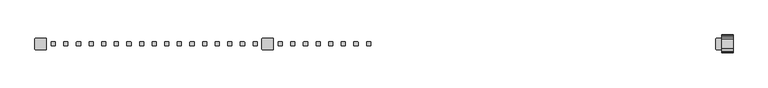
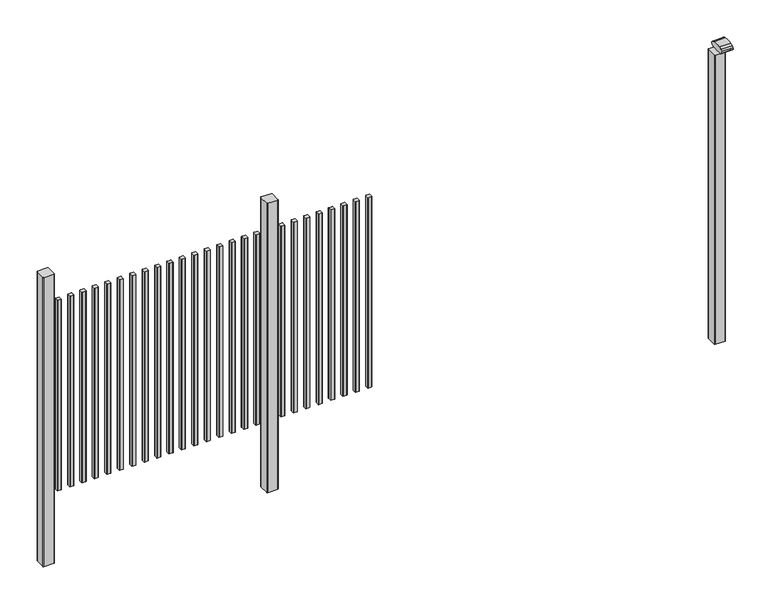
"""IFC4 building model written with IfcOpenShell, lengths in millimetres: railing geometry."""

from ifc_helpers import new_model, si_unit, point, frame, frame_2d, origin, place, context, project, spatial, polyline, circle_curve, trimmed, segment, composite_curve, outline, extrude, source, transform, mapped, element, save


def railing_d9dbef2f(model_context):
    return source(origin(), model_context, "Body", "SweptSolid", [
        extrude(outline(composite_curve([segment(trimmed(circle_curve(frame_2d((5108.2391355, 7228.4508236)), 1.4), [point((5106.8391355, 7228.4508236))], [point((5108.2391355, 7229.8508236))], False, "CARTESIAN"), True, "CONTINUOUS"), segment(polyline([(5108.2391355, 7229.8508236), (5123.4391385, 7229.8508236)]), True, "CONTINUOUS"), segment(trimmed(circle_curve(frame_2d((5123.4391385, 7228.4508236)), 1.4), [point((5123.4391385, 7229.8508236))], [point((5124.8391385, 7228.4508236))], False, "CARTESIAN"), True, "CONTINUOUS"), segment(polyline([(5124.8391385, 7228.4508236), (5124.8391385, 7213.2507846)]), True, "CONTINUOUS"), segment(trimmed(circle_curve(frame_2d((5123.4391385, 7213.2507846)), 1.4), [point((5124.8391385, 7213.2507846))], [point((5123.4391385, 7211.8507846))], False, "CARTESIAN"), True, "CONTINUOUS"), segment(polyline([(5123.4391385, 7211.8507846), (5108.2391355, 7211.8507846)]), True, "CONTINUOUS"), segment(trimmed(circle_curve(frame_2d((5108.2391355, 7213.2507846)), 1.4), [point((5108.2391355, 7211.8507846))], [point((5106.8391355, 7213.2507846))], False, "CARTESIAN"), True, "CONTINUOUS"), segment(polyline([(5106.8391355, 7213.2507846), (5106.8391355, 7228.4508236)]), True, "CONTINUOUS")], self_intersect=False)), frame((0.0, 0.0, 125.0), z_axis=(0.0, 0.0, 1.0), x_axis=(1.0, 0.0, 0.0)), (0.0, 0.0, 1.0), 900.0),
        extrude(outline(composite_curve([segment(trimmed(circle_curve(frame_2d((5052.6835799, 7228.4508236)), 1.4), [point((5051.2835799, 7228.4508236))], [point((5052.6835799, 7229.8508236))], False, "CARTESIAN"), True, "CONTINUOUS"), segment(polyline([(5052.6835799, 7229.8508236), (5067.8835829, 7229.8508236)]), True, "CONTINUOUS"), segment(trimmed(circle_curve(frame_2d((5067.8835829, 7228.4508236)), 1.4), [point((5067.8835829, 7229.8508236))], [point((5069.2835829, 7228.4508236))], False, "CARTESIAN"), True, "CONTINUOUS"), segment(polyline([(5069.2835829, 7228.4508236), (5069.2835829, 7213.2507846)]), True, "CONTINUOUS"), segment(trimmed(circle_curve(frame_2d((5067.8835829, 7213.2507846)), 1.4), [point((5069.2835829, 7213.2507846))], [point((5067.8835829, 7211.8507846))], False, "CARTESIAN"), True, "CONTINUOUS"), segment(polyline([(5067.8835829, 7211.8507846), (5052.6835799, 7211.8507846)]), True, "CONTINUOUS"), segment(trimmed(circle_curve(frame_2d((5052.6835799, 7213.2507846)), 1.4), [point((5052.6835799, 7211.8507846))], [point((5051.2835799, 7213.2507846))], False, "CARTESIAN"), True, "CONTINUOUS"), segment(polyline([(5051.2835799, 7213.2507846), (5051.2835799, 7228.4508236)]), True, "CONTINUOUS")], self_intersect=False)), frame((0.0, 0.0, 125.0), z_axis=(0.0, 0.0, 1.0), x_axis=(1.0, 0.0, 0.0)), (0.0, 0.0, 1.0), 900.0),
        extrude(outline(composite_curve([segment(trimmed(circle_curve(frame_2d((4997.1280244, 7228.4508236)), 1.4), [point((4995.7280244, 7228.4508236))], [point((4997.1280244, 7229.8508236))], False, "CARTESIAN"), True, "CONTINUOUS"), segment(polyline([(4997.1280244, 7229.8508236), (5012.3280274, 7229.8508236)]), True, "CONTINUOUS"), segment(trimmed(circle_curve(frame_2d((5012.3280274, 7228.4508236)), 1.4), [point((5012.3280274, 7229.8508236))], [point((5013.7280274, 7228.4508236))], False, "CARTESIAN"), True, "CONTINUOUS"), segment(polyline([(5013.7280274, 7228.4508236), (5013.7280274, 7213.2507846)]), True, "CONTINUOUS"), segment(trimmed(circle_curve(frame_2d((5012.3280274, 7213.2507846)), 1.4), [point((5013.7280274, 7213.2507846))], [point((5012.3280274, 7211.8507846))], False, "CARTESIAN"), True, "CONTINUOUS"), segment(polyline([(5012.3280274, 7211.8507846), (4997.1280244, 7211.8507846)]), True, "CONTINUOUS"), segment(trimmed(circle_curve(frame_2d((4997.1280244, 7213.2507846)), 1.4), [point((4997.1280244, 7211.8507846))], [point((4995.7280244, 7213.2507846))], False, "CARTESIAN"), True, "CONTINUOUS"), segment(polyline([(4995.7280244, 7213.2507846), (4995.7280244, 7228.4508236)]), True, "CONTINUOUS")], self_intersect=False)), frame((0.0, 0.0, 125.0), z_axis=(0.0, 0.0, 1.0), x_axis=(1.0, 0.0, 0.0)), (0.0, 0.0, 1.0), 900.0),
        extrude(outline(composite_curve([segment(trimmed(circle_curve(frame_2d((4941.5724688, 7228.4508236)), 1.4), [point((4940.1724688, 7228.4508236))], [point((4941.5724688, 7229.8508236))], False, "CARTESIAN"), True, "CONTINUOUS"), segment(polyline([(4941.5724688, 7229.8508236), (4956.7724718, 7229.8508236)]), True, "CONTINUOUS"), segment(trimmed(circle_curve(frame_2d((4956.7724718, 7228.4508236)), 1.4), [point((4956.7724718, 7229.8508236))], [point((4958.1724718, 7228.4508236))], False, "CARTESIAN"), True, "CONTINUOUS"), segment(polyline([(4958.1724718, 7228.4508236), (4958.1724718, 7213.2507846)]), True, "CONTINUOUS"), segment(trimmed(circle_curve(frame_2d((4956.7724718, 7213.2507846)), 1.4), [point((4958.1724718, 7213.2507846))], [point((4956.7724718, 7211.8507846))], False, "CARTESIAN"), True, "CONTINUOUS"), segment(polyline([(4956.7724718, 7211.8507846), (4941.5724688, 7211.8507846)]), True, "CONTINUOUS"), segment(trimmed(circle_curve(frame_2d((4941.5724688, 7213.2507846)), 1.4), [point((4941.5724688, 7211.8507846))], [point((4940.1724688, 7213.2507846))], False, "CARTESIAN"), True, "CONTINUOUS"), segment(polyline([(4940.1724688, 7213.2507846), (4940.1724688, 7228.4508236)]), True, "CONTINUOUS")], self_intersect=False)), frame((0.0, 0.0, 125.0), z_axis=(0.0, 0.0, 1.0), x_axis=(1.0, 0.0, 0.0)), (0.0, 0.0, 1.0), 900.0),
        extrude(outline(composite_curve([segment(trimmed(circle_curve(frame_2d((4886.0169133, 7228.4508236)), 1.4), [point((4884.6169133, 7228.4508236))], [point((4886.0169133, 7229.8508236))], False, "CARTESIAN"), True, "CONTINUOUS"), segment(polyline([(4886.0169133, 7229.8508236), (4901.2169163, 7229.8508236)]), True, "CONTINUOUS"), segment(trimmed(circle_curve(frame_2d((4901.2169163, 7228.4508236)), 1.4), [point((4901.2169163, 7229.8508236))], [point((4902.6169163, 7228.4508236))], False, "CARTESIAN"), True, "CONTINUOUS"), segment(polyline([(4902.6169163, 7228.4508236), (4902.6169163, 7213.2507846)]), True, "CONTINUOUS"), segment(trimmed(circle_curve(frame_2d((4901.2169163, 7213.2507846)), 1.4), [point((4902.6169163, 7213.2507846))], [point((4901.2169163, 7211.8507846))], False, "CARTESIAN"), True, "CONTINUOUS"), segment(polyline([(4901.2169163, 7211.8507846), (4886.0169133, 7211.8507846)]), True, "CONTINUOUS"), segment(trimmed(circle_curve(frame_2d((4886.0169133, 7213.2507846)), 1.4), [point((4886.0169133, 7211.8507846))], [point((4884.6169133, 7213.2507846))], False, "CARTESIAN"), True, "CONTINUOUS"), segment(polyline([(4884.6169133, 7213.2507846), (4884.6169133, 7228.4508236)]), True, "CONTINUOUS")], self_intersect=False)), frame((0.0, 0.0, 125.0), z_axis=(0.0, 0.0, 1.0), x_axis=(1.0, 0.0, 0.0)), (0.0, 0.0, 1.0), 900.0),
        extrude(outline(composite_curve([segment(trimmed(circle_curve(frame_2d((4830.4613577, 7228.4508236)), 1.4), [point((4829.0613577, 7228.4508236))], [point((4830.4613577, 7229.8508236))], False, "CARTESIAN"), True, "CONTINUOUS"), segment(polyline([(4830.4613577, 7229.8508236), (4845.6613607, 7229.8508236)]), True, "CONTINUOUS"), segment(trimmed(circle_curve(frame_2d((4845.6613607, 7228.4508236)), 1.4), [point((4845.6613607, 7229.8508236))], [point((4847.0613607, 7228.4508236))], False, "CARTESIAN"), True, "CONTINUOUS"), segment(polyline([(4847.0613607, 7228.4508236), (4847.0613607, 7213.2507846)]), True, "CONTINUOUS"), segment(trimmed(circle_curve(frame_2d((4845.6613607, 7213.2507846)), 1.4), [point((4847.0613607, 7213.2507846))], [point((4845.6613607, 7211.8507846))], False, "CARTESIAN"), True, "CONTINUOUS"), segment(polyline([(4845.6613607, 7211.8507846), (4830.4613577, 7211.8507846)]), True, "CONTINUOUS"), segment(trimmed(circle_curve(frame_2d((4830.4613577, 7213.2507846)), 1.4), [point((4830.4613577, 7211.8507846))], [point((4829.0613577, 7213.2507846))], False, "CARTESIAN"), True, "CONTINUOUS"), segment(polyline([(4829.0613577, 7213.2507846), (4829.0613577, 7228.4508236)]), True, "CONTINUOUS")], self_intersect=False)), frame((0.0, 0.0, 125.0), z_axis=(0.0, 0.0, 1.0), x_axis=(1.0, 0.0, 0.0)), (0.0, 0.0, 1.0), 900.0),
        extrude(outline(composite_curve([segment(trimmed(circle_curve(frame_2d((4774.9058021, 7228.4508236)), 1.4), [point((4773.5058021, 7228.4508236))], [point((4774.9058021, 7229.8508236))], False, "CARTESIAN"), True, "CONTINUOUS"), segment(polyline([(4774.9058021, 7229.8508236), (4790.1058051, 7229.8508236)]), True, "CONTINUOUS"), segment(trimmed(circle_curve(frame_2d((4790.1058051, 7228.4508236)), 1.4), [point((4790.1058051, 7229.8508236))], [point((4791.5058051, 7228.4508236))], False, "CARTESIAN"), True, "CONTINUOUS"), segment(polyline([(4791.5058051, 7228.4508236), (4791.5058051, 7213.2507846)]), True, "CONTINUOUS"), segment(trimmed(circle_curve(frame_2d((4790.1058051, 7213.2507846)), 1.4), [point((4791.5058051, 7213.2507846))], [point((4790.1058051, 7211.8507846))], False, "CARTESIAN"), True, "CONTINUOUS"), segment(polyline([(4790.1058051, 7211.8507846), (4774.9058021, 7211.8507846)]), True, "CONTINUOUS"), segment(trimmed(circle_curve(frame_2d((4774.9058021, 7213.2507846)), 1.4), [point((4774.9058021, 7211.8507846))], [point((4773.5058021, 7213.2507846))], False, "CARTESIAN"), True, "CONTINUOUS"), segment(polyline([(4773.5058021, 7213.2507846), (4773.5058021, 7228.4508236)]), True, "CONTINUOUS")], self_intersect=False)), frame((0.0, 0.0, 125.0), z_axis=(0.0, 0.0, 1.0), x_axis=(1.0, 0.0, 0.0)), (0.0, 0.0, 1.0), 900.0),
        extrude(outline(composite_curve([segment(trimmed(circle_curve(frame_2d((4719.3502466, 7228.4508236)), 1.4), [point((4717.9502466, 7228.4508236))], [point((4719.3502466, 7229.8508236))], False, "CARTESIAN"), True, "CONTINUOUS"), segment(polyline([(4719.3502466, 7229.8508236), (4734.5502496, 7229.8508236)]), True, "CONTINUOUS"), segment(trimmed(circle_curve(frame_2d((4734.5502496, 7228.4508236)), 1.4), [point((4734.5502496, 7229.8508236))], [point((4735.9502496, 7228.4508236))], False, "CARTESIAN"), True, "CONTINUOUS"), segment(polyline([(4735.9502496, 7228.4508236), (4735.9502496, 7213.2507846)]), True, "CONTINUOUS"), segment(trimmed(circle_curve(frame_2d((4734.5502496, 7213.2507846)), 1.4), [point((4735.9502496, 7213.2507846))], [point((4734.5502496, 7211.8507846))], False, "CARTESIAN"), True, "CONTINUOUS"), segment(polyline([(4734.5502496, 7211.8507846), (4719.3502466, 7211.8507846)]), True, "CONTINUOUS"), segment(trimmed(circle_curve(frame_2d((4719.3502466, 7213.2507846)), 1.4), [point((4719.3502466, 7211.8507846))], [point((4717.9502466, 7213.2507846))], False, "CARTESIAN"), True, "CONTINUOUS"), segment(polyline([(4717.9502466, 7213.2507846), (4717.9502466, 7228.4508236)]), True, "CONTINUOUS")], self_intersect=False)), frame((0.0, 0.0, 125.0), z_axis=(0.0, 0.0, 1.0), x_axis=(1.0, 0.0, 0.0)), (0.0, 0.0, 1.0), 900.0),
        extrude(outline(composite_curve([segment(trimmed(circle_curve(frame_2d((4693.7947043, 7243.2508153)), 3.0), [point((4693.794704, 7246.2508153))], [point((4696.7947043, 7243.2508156))], False, "CARTESIAN"), True, "CONTINUOUS"), segment(polyline([(4696.7947043, 7243.2508156), (4696.7947083, 7198.4507926)]), True, "CONTINUOUS"), segment(trimmed(circle_curve(frame_2d((4693.7947083, 7198.4507923)), 3.0), [point((4696.7947083, 7198.4507926))], [point((4693.7947086, 7195.4507923))], False, "CARTESIAN"), True, "CONTINUOUS"), segment(polyline([(4693.7947086, 7195.4507923), (4648.9946856, 7195.4507883)]), True, "CONTINUOUS"), segment(trimmed(circle_curve(frame_2d((4648.9946853, 7198.4507883)), 3.0), [point((4648.9946856, 7195.4507883))], [point((4645.9946853, 7198.450788))], False, "CARTESIAN"), True, "CONTINUOUS"), segment(polyline([(4645.9946853, 7198.450788), (4645.9946813, 7243.250811)]), True, "CONTINUOUS"), segment(trimmed(circle_curve(frame_2d((4648.9946813, 7243.2508113)), 3.0), [point((4645.9946813, 7243.250811))], [point((4648.994681, 7246.2508113))], False, "CARTESIAN"), True, "CONTINUOUS"), segment(polyline([(4648.994681, 7246.2508113), (4693.794704, 7246.2508153)]), True, "CONTINUOUS")], self_intersect=False)), frame((0.0, 0.0, -198.0), z_axis=(0.0, 0.0, 1.0), x_axis=(1.0, 0.0, 0.0)), (0.0, 0.0, 1.0), 1366.1238517),
        extrude(outline(composite_curve([segment(trimmed(circle_curve(frame_2d((4608.2391355, 7228.4508236)), 1.4), [point((4606.8391355, 7228.4508236))], [point((4608.2391355, 7229.8508236))], False, "CARTESIAN"), True, "CONTINUOUS"), segment(polyline([(4608.2391355, 7229.8508236), (4623.4391385, 7229.8508236)]), True, "CONTINUOUS"), segment(trimmed(circle_curve(frame_2d((4623.4391385, 7228.4508236)), 1.4), [point((4623.4391385, 7229.8508236))], [point((4624.8391385, 7228.4508236))], False, "CARTESIAN"), True, "CONTINUOUS"), segment(polyline([(4624.8391385, 7228.4508236), (4624.8391385, 7213.2507846)]), True, "CONTINUOUS"), segment(trimmed(circle_curve(frame_2d((4623.4391385, 7213.2507846)), 1.4), [point((4624.8391385, 7213.2507846))], [point((4623.4391385, 7211.8507846))], False, "CARTESIAN"), True, "CONTINUOUS"), segment(polyline([(4623.4391385, 7211.8507846), (4608.2391355, 7211.8507846)]), True, "CONTINUOUS"), segment(trimmed(circle_curve(frame_2d((4608.2391355, 7213.2507846)), 1.4), [point((4608.2391355, 7211.8507846))], [point((4606.8391355, 7213.2507846))], False, "CARTESIAN"), True, "CONTINUOUS"), segment(polyline([(4606.8391355, 7213.2507846), (4606.8391355, 7228.4508236)]), True, "CONTINUOUS")], self_intersect=False)), frame((0.0, 0.0, 125.0), z_axis=(0.0, 0.0, 1.0), x_axis=(1.0, 0.0, 0.0)), (0.0, 0.0, 1.0), 900.0),
        extrude(outline(composite_curve([segment(trimmed(circle_curve(frame_2d((4552.6835799, 7228.4508236)), 1.4), [point((4551.2835799, 7228.4508236))], [point((4552.6835799, 7229.8508236))], False, "CARTESIAN"), True, "CONTINUOUS"), segment(polyline([(4552.6835799, 7229.8508236), (4567.8835829, 7229.8508236)]), True, "CONTINUOUS"), segment(trimmed(circle_curve(frame_2d((4567.8835829, 7228.4508236)), 1.4), [point((4567.8835829, 7229.8508236))], [point((4569.2835829, 7228.4508236))], False, "CARTESIAN"), True, "CONTINUOUS"), segment(polyline([(4569.2835829, 7228.4508236), (4569.2835829, 7213.2507846)]), True, "CONTINUOUS"), segment(trimmed(circle_curve(frame_2d((4567.8835829, 7213.2507846)), 1.4), [point((4569.2835829, 7213.2507846))], [point((4567.8835829, 7211.8507846))], False, "CARTESIAN"), True, "CONTINUOUS"), segment(polyline([(4567.8835829, 7211.8507846), (4552.6835799, 7211.8507846)]), True, "CONTINUOUS"), segment(trimmed(circle_curve(frame_2d((4552.6835799, 7213.2507846)), 1.4), [point((4552.6835799, 7211.8507846))], [point((4551.2835799, 7213.2507846))], False, "CARTESIAN"), True, "CONTINUOUS"), segment(polyline([(4551.2835799, 7213.2507846), (4551.2835799, 7228.4508236)]), True, "CONTINUOUS")], self_intersect=False)), frame((0.0, 0.0, 125.0), z_axis=(0.0, 0.0, 1.0), x_axis=(1.0, 0.0, 0.0)), (0.0, 0.0, 1.0), 900.0),
        extrude(outline(composite_curve([segment(trimmed(circle_curve(frame_2d((4497.1280244, 7228.4508236)), 1.4), [point((4495.7280244, 7228.4508236))], [point((4497.1280244, 7229.8508236))], False, "CARTESIAN"), True, "CONTINUOUS"), segment(polyline([(4497.1280244, 7229.8508236), (4512.3280274, 7229.8508236)]), True, "CONTINUOUS"), segment(trimmed(circle_curve(frame_2d((4512.3280274, 7228.4508236)), 1.4), [point((4512.3280274, 7229.8508236))], [point((4513.7280274, 7228.4508236))], False, "CARTESIAN"), True, "CONTINUOUS"), segment(polyline([(4513.7280274, 7228.4508236), (4513.7280274, 7213.2507846)]), True, "CONTINUOUS"), segment(trimmed(circle_curve(frame_2d((4512.3280274, 7213.2507846)), 1.4), [point((4513.7280274, 7213.2507846))], [point((4512.3280274, 7211.8507846))], False, "CARTESIAN"), True, "CONTINUOUS"), segment(polyline([(4512.3280274, 7211.8507846), (4497.1280244, 7211.8507846)]), True, "CONTINUOUS"), segment(trimmed(circle_curve(frame_2d((4497.1280244, 7213.2507846)), 1.4), [point((4497.1280244, 7211.8507846))], [point((4495.7280244, 7213.2507846))], False, "CARTESIAN"), True, "CONTINUOUS"), segment(polyline([(4495.7280244, 7213.2507846), (4495.7280244, 7228.4508236)]), True, "CONTINUOUS")], self_intersect=False)), frame((0.0, 0.0, 125.0), z_axis=(0.0, 0.0, 1.0), x_axis=(1.0, 0.0, 0.0)), (0.0, 0.0, 1.0), 900.0),
        extrude(outline(composite_curve([segment(trimmed(circle_curve(frame_2d((4441.5724688, 7228.4508236)), 1.4), [point((4440.1724688, 7228.4508236))], [point((4441.5724688, 7229.8508236))], False, "CARTESIAN"), True, "CONTINUOUS"), segment(polyline([(4441.5724688, 7229.8508236), (4456.7724718, 7229.8508236)]), True, "CONTINUOUS"), segment(trimmed(circle_curve(frame_2d((4456.7724718, 7228.4508236)), 1.4), [point((4456.7724718, 7229.8508236))], [point((4458.1724718, 7228.4508236))], False, "CARTESIAN"), True, "CONTINUOUS"), segment(polyline([(4458.1724718, 7228.4508236), (4458.1724718, 7213.2507846)]), True, "CONTINUOUS"), segment(trimmed(circle_curve(frame_2d((4456.7724718, 7213.2507846)), 1.4), [point((4458.1724718, 7213.2507846))], [point((4456.7724718, 7211.8507846))], False, "CARTESIAN"), True, "CONTINUOUS"), segment(polyline([(4456.7724718, 7211.8507846), (4441.5724688, 7211.8507846)]), True, "CONTINUOUS"), segment(trimmed(circle_curve(frame_2d((4441.5724688, 7213.2507846)), 1.4), [point((4441.5724688, 7211.8507846))], [point((4440.1724688, 7213.2507846))], False, "CARTESIAN"), True, "CONTINUOUS"), segment(polyline([(4440.1724688, 7213.2507846), (4440.1724688, 7228.4508236)]), True, "CONTINUOUS")], self_intersect=False)), frame((0.0, 0.0, 125.0), z_axis=(0.0, 0.0, 1.0), x_axis=(1.0, 0.0, 0.0)), (0.0, 0.0, 1.0), 900.0),
        extrude(outline(composite_curve([segment(trimmed(circle_curve(frame_2d((4386.0169133, 7228.4508236)), 1.4), [point((4384.6169133, 7228.4508236))], [point((4386.0169133, 7229.8508236))], False, "CARTESIAN"), True, "CONTINUOUS"), segment(polyline([(4386.0169133, 7229.8508236), (4401.2169163, 7229.8508236)]), True, "CONTINUOUS"), segment(trimmed(circle_curve(frame_2d((4401.2169163, 7228.4508236)), 1.4), [point((4401.2169163, 7229.8508236))], [point((4402.6169163, 7228.4508236))], False, "CARTESIAN"), True, "CONTINUOUS"), segment(polyline([(4402.6169163, 7228.4508236), (4402.6169163, 7213.2507846)]), True, "CONTINUOUS"), segment(trimmed(circle_curve(frame_2d((4401.2169163, 7213.2507846)), 1.4), [point((4402.6169163, 7213.2507846))], [point((4401.2169163, 7211.8507846))], False, "CARTESIAN"), True, "CONTINUOUS"), segment(polyline([(4401.2169163, 7211.8507846), (4386.0169133, 7211.8507846)]), True, "CONTINUOUS"), segment(trimmed(circle_curve(frame_2d((4386.0169133, 7213.2507846)), 1.4), [point((4386.0169133, 7211.8507846))], [point((4384.6169133, 7213.2507846))], False, "CARTESIAN"), True, "CONTINUOUS"), segment(polyline([(4384.6169133, 7213.2507846), (4384.6169133, 7228.4508236)]), True, "CONTINUOUS")], self_intersect=False)), frame((0.0, 0.0, 125.0), z_axis=(0.0, 0.0, 1.0), x_axis=(1.0, 0.0, 0.0)), (0.0, 0.0, 1.0), 900.0),
        extrude(outline(composite_curve([segment(trimmed(circle_curve(frame_2d((4330.4613577, 7228.4508236)), 1.4), [point((4329.0613577, 7228.4508236))], [point((4330.4613577, 7229.8508236))], False, "CARTESIAN"), True, "CONTINUOUS"), segment(polyline([(4330.4613577, 7229.8508236), (4345.6613607, 7229.8508236)]), True, "CONTINUOUS"), segment(trimmed(circle_curve(frame_2d((4345.6613607, 7228.4508236)), 1.4), [point((4345.6613607, 7229.8508236))], [point((4347.0613607, 7228.4508236))], False, "CARTESIAN"), True, "CONTINUOUS"), segment(polyline([(4347.0613607, 7228.4508236), (4347.0613607, 7213.2507846)]), True, "CONTINUOUS"), segment(trimmed(circle_curve(frame_2d((4345.6613607, 7213.2507846)), 1.4), [point((4347.0613607, 7213.2507846))], [point((4345.6613607, 7211.8507846))], False, "CARTESIAN"), True, "CONTINUOUS"), segment(polyline([(4345.6613607, 7211.8507846), (4330.4613577, 7211.8507846)]), True, "CONTINUOUS"), segment(trimmed(circle_curve(frame_2d((4330.4613577, 7213.2507846)), 1.4), [point((4330.4613577, 7211.8507846))], [point((4329.0613577, 7213.2507846))], False, "CARTESIAN"), True, "CONTINUOUS"), segment(polyline([(4329.0613577, 7213.2507846), (4329.0613577, 7228.4508236)]), True, "CONTINUOUS")], self_intersect=False)), frame((0.0, 0.0, 125.0), z_axis=(0.0, 0.0, 1.0), x_axis=(1.0, 0.0, 0.0)), (0.0, 0.0, 1.0), 900.0),
        extrude(outline(composite_curve([segment(trimmed(circle_curve(frame_2d((4274.9058021, 7228.4508236)), 1.4), [point((4273.5058021, 7228.4508236))], [point((4274.9058021, 7229.8508236))], False, "CARTESIAN"), True, "CONTINUOUS"), segment(polyline([(4274.9058021, 7229.8508236), (4290.1058051, 7229.8508236)]), True, "CONTINUOUS"), segment(trimmed(circle_curve(frame_2d((4290.1058051, 7228.4508236)), 1.4), [point((4290.1058051, 7229.8508236))], [point((4291.5058051, 7228.4508236))], False, "CARTESIAN"), True, "CONTINUOUS"), segment(polyline([(4291.5058051, 7228.4508236), (4291.5058051, 7213.2507846)]), True, "CONTINUOUS"), segment(trimmed(circle_curve(frame_2d((4290.1058051, 7213.2507846)), 1.4), [point((4291.5058051, 7213.2507846))], [point((4290.1058051, 7211.8507846))], False, "CARTESIAN"), True, "CONTINUOUS"), segment(polyline([(4290.1058051, 7211.8507846), (4274.9058021, 7211.8507846)]), True, "CONTINUOUS"), segment(trimmed(circle_curve(frame_2d((4274.9058021, 7213.2507846)), 1.4), [point((4274.9058021, 7211.8507846))], [point((4273.5058021, 7213.2507846))], False, "CARTESIAN"), True, "CONTINUOUS"), segment(polyline([(4273.5058021, 7213.2507846), (4273.5058021, 7228.4508236)]), True, "CONTINUOUS")], self_intersect=False)), frame((0.0, 0.0, 125.0), z_axis=(0.0, 0.0, 1.0), x_axis=(1.0, 0.0, 0.0)), (0.0, 0.0, 1.0), 900.0),
        extrude(outline(composite_curve([segment(trimmed(circle_curve(frame_2d((4219.3502466, 7228.4508236)), 1.4), [point((4217.9502466, 7228.4508236))], [point((4219.3502466, 7229.8508236))], False, "CARTESIAN"), True, "CONTINUOUS"), segment(polyline([(4219.3502466, 7229.8508236), (4234.5502496, 7229.8508236)]), True, "CONTINUOUS"), segment(trimmed(circle_curve(frame_2d((4234.5502496, 7228.4508236)), 1.4), [point((4234.5502496, 7229.8508236))], [point((4235.9502496, 7228.4508236))], False, "CARTESIAN"), True, "CONTINUOUS"), segment(polyline([(4235.9502496, 7228.4508236), (4235.9502496, 7213.2507846)]), True, "CONTINUOUS"), segment(trimmed(circle_curve(frame_2d((4234.5502496, 7213.2507846)), 1.4), [point((4235.9502496, 7213.2507846))], [point((4234.5502496, 7211.8507846))], False, "CARTESIAN"), True, "CONTINUOUS"), segment(polyline([(4234.5502496, 7211.8507846), (4219.3502466, 7211.8507846)]), True, "CONTINUOUS"), segment(trimmed(circle_curve(frame_2d((4219.3502466, 7213.2507846)), 1.4), [point((4219.3502466, 7211.8507846))], [point((4217.9502466, 7213.2507846))], False, "CARTESIAN"), True, "CONTINUOUS"), segment(polyline([(4217.9502466, 7213.2507846), (4217.9502466, 7228.4508236)]), True, "CONTINUOUS")], self_intersect=False)), frame((0.0, 0.0, 125.0), z_axis=(0.0, 0.0, 1.0), x_axis=(1.0, 0.0, 0.0)), (0.0, 0.0, 1.0), 900.0),
        extrude(outline(composite_curve([segment(trimmed(circle_curve(frame_2d((4163.794691, 7228.4508236)), 1.4), [point((4162.394691, 7228.4508236))], [point((4163.794691, 7229.8508236))], False, "CARTESIAN"), True, "CONTINUOUS"), segment(polyline([(4163.794691, 7229.8508236), (4178.994694, 7229.8508236)]), True, "CONTINUOUS"), segment(trimmed(circle_curve(frame_2d((4178.994694, 7228.4508236)), 1.4), [point((4178.994694, 7229.8508236))], [point((4180.394694, 7228.4508236))], False, "CARTESIAN"), True, "CONTINUOUS"), segment(polyline([(4180.394694, 7228.4508236), (4180.394694, 7213.2507846)]), True, "CONTINUOUS"), segment(trimmed(circle_curve(frame_2d((4178.994694, 7213.2507846)), 1.4), [point((4180.394694, 7213.2507846))], [point((4178.994694, 7211.8507846))], False, "CARTESIAN"), True, "CONTINUOUS"), segment(polyline([(4178.994694, 7211.8507846), (4163.794691, 7211.8507846)]), True, "CONTINUOUS"), segment(trimmed(circle_curve(frame_2d((4163.794691, 7213.2507846)), 1.4), [point((4163.794691, 7211.8507846))], [point((4162.394691, 7213.2507846))], False, "CARTESIAN"), True, "CONTINUOUS"), segment(polyline([(4162.394691, 7213.2507846), (4162.394691, 7228.4508236)]), True, "CONTINUOUS")], self_intersect=False)), frame((0.0, 0.0, 125.0), z_axis=(0.0, 0.0, 1.0), x_axis=(1.0, 0.0, 0.0)), (0.0, 0.0, 1.0), 900.0),
        extrude(outline(composite_curve([segment(trimmed(circle_curve(frame_2d((4108.2391355, 7228.4508236)), 1.4), [point((4106.8391355, 7228.4508236))], [point((4108.2391355, 7229.8508236))], False, "CARTESIAN"), True, "CONTINUOUS"), segment(polyline([(4108.2391355, 7229.8508236), (4123.4391385, 7229.8508236)]), True, "CONTINUOUS"), segment(trimmed(circle_curve(frame_2d((4123.4391385, 7228.4508236)), 1.4), [point((4123.4391385, 7229.8508236))], [point((4124.8391385, 7228.4508236))], False, "CARTESIAN"), True, "CONTINUOUS"), segment(polyline([(4124.8391385, 7228.4508236), (4124.8391385, 7213.2507846)]), True, "CONTINUOUS"), segment(trimmed(circle_curve(frame_2d((4123.4391385, 7213.2507846)), 1.4), [point((4124.8391385, 7213.2507846))], [point((4123.4391385, 7211.8507846))], False, "CARTESIAN"), True, "CONTINUOUS"), segment(polyline([(4123.4391385, 7211.8507846), (4108.2391355, 7211.8507846)]), True, "CONTINUOUS"), segment(trimmed(circle_curve(frame_2d((4108.2391355, 7213.2507846)), 1.4), [point((4108.2391355, 7211.8507846))], [point((4106.8391355, 7213.2507846))], False, "CARTESIAN"), True, "CONTINUOUS"), segment(polyline([(4106.8391355, 7213.2507846), (4106.8391355, 7228.4508236)]), True, "CONTINUOUS")], self_intersect=False)), frame((0.0, 0.0, 125.0), z_axis=(0.0, 0.0, 1.0), x_axis=(1.0, 0.0, 0.0)), (0.0, 0.0, 1.0), 900.0),
        extrude(outline(composite_curve([segment(trimmed(circle_curve(frame_2d((4052.6835799, 7228.4508236)), 1.4), [point((4051.2835799, 7228.4508236))], [point((4052.6835799, 7229.8508236))], False, "CARTESIAN"), True, "CONTINUOUS"), segment(polyline([(4052.6835799, 7229.8508236), (4067.8835829, 7229.8508236)]), True, "CONTINUOUS"), segment(trimmed(circle_curve(frame_2d((4067.8835829, 7228.4508236)), 1.4), [point((4067.8835829, 7229.8508236))], [point((4069.2835829, 7228.4508236))], False, "CARTESIAN"), True, "CONTINUOUS"), segment(polyline([(4069.2835829, 7228.4508236), (4069.2835829, 7213.2507846)]), True, "CONTINUOUS"), segment(trimmed(circle_curve(frame_2d((4067.8835829, 7213.2507846)), 1.4), [point((4069.2835829, 7213.2507846))], [point((4067.8835829, 7211.8507846))], False, "CARTESIAN"), True, "CONTINUOUS"), segment(polyline([(4067.8835829, 7211.8507846), (4052.6835799, 7211.8507846)]), True, "CONTINUOUS"), segment(trimmed(circle_curve(frame_2d((4052.6835799, 7213.2507846)), 1.4), [point((4052.6835799, 7211.8507846))], [point((4051.2835799, 7213.2507846))], False, "CARTESIAN"), True, "CONTINUOUS"), segment(polyline([(4051.2835799, 7213.2507846), (4051.2835799, 7228.4508236)]), True, "CONTINUOUS")], self_intersect=False)), frame((0.0, 0.0, 125.0), z_axis=(0.0, 0.0, 1.0), x_axis=(1.0, 0.0, 0.0)), (0.0, 0.0, 1.0), 900.0),
        extrude(outline(composite_curve([segment(trimmed(circle_curve(frame_2d((3997.1280244, 7228.4508236)), 1.4), [point((3995.7280244, 7228.4508236))], [point((3997.1280244, 7229.8508236))], False, "CARTESIAN"), True, "CONTINUOUS"), segment(polyline([(3997.1280244, 7229.8508236), (4012.3280274, 7229.8508236)]), True, "CONTINUOUS"), segment(trimmed(circle_curve(frame_2d((4012.3280274, 7228.4508236)), 1.4), [point((4012.3280274, 7229.8508236))], [point((4013.7280274, 7228.4508236))], False, "CARTESIAN"), True, "CONTINUOUS"), segment(polyline([(4013.7280274, 7228.4508236), (4013.7280274, 7213.2507846)]), True, "CONTINUOUS"), segment(trimmed(circle_curve(frame_2d((4012.3280274, 7213.2507846)), 1.4), [point((4013.7280274, 7213.2507846))], [point((4012.3280274, 7211.8507846))], False, "CARTESIAN"), True, "CONTINUOUS"), segment(polyline([(4012.3280274, 7211.8507846), (3997.1280244, 7211.8507846)]), True, "CONTINUOUS"), segment(trimmed(circle_curve(frame_2d((3997.1280244, 7213.2507846)), 1.4), [point((3997.1280244, 7211.8507846))], [point((3995.7280244, 7213.2507846))], False, "CARTESIAN"), True, "CONTINUOUS"), segment(polyline([(3995.7280244, 7213.2507846), (3995.7280244, 7228.4508236)]), True, "CONTINUOUS")], self_intersect=False)), frame((0.0, 0.0, 125.0), z_axis=(0.0, 0.0, 1.0), x_axis=(1.0, 0.0, 0.0)), (0.0, 0.0, 1.0), 900.0),
        extrude(outline(composite_curve([segment(trimmed(circle_curve(frame_2d((3941.5724688, 7228.4508236)), 1.4), [point((3940.1724688, 7228.4508236))], [point((3941.5724688, 7229.8508236))], False, "CARTESIAN"), True, "CONTINUOUS"), segment(polyline([(3941.5724688, 7229.8508236), (3956.7724718, 7229.8508236)]), True, "CONTINUOUS"), segment(trimmed(circle_curve(frame_2d((3956.7724718, 7228.4508236)), 1.4), [point((3956.7724718, 7229.8508236))], [point((3958.1724718, 7228.4508236))], False, "CARTESIAN"), True, "CONTINUOUS"), segment(polyline([(3958.1724718, 7228.4508236), (3958.1724718, 7213.2507846)]), True, "CONTINUOUS"), segment(trimmed(circle_curve(frame_2d((3956.7724718, 7213.2507846)), 1.4), [point((3958.1724718, 7213.2507846))], [point((3956.7724718, 7211.8507846))], False, "CARTESIAN"), True, "CONTINUOUS"), segment(polyline([(3956.7724718, 7211.8507846), (3941.5724688, 7211.8507846)]), True, "CONTINUOUS"), segment(trimmed(circle_curve(frame_2d((3941.5724688, 7213.2507846)), 1.4), [point((3941.5724688, 7211.8507846))], [point((3940.1724688, 7213.2507846))], False, "CARTESIAN"), True, "CONTINUOUS"), segment(polyline([(3940.1724688, 7213.2507846), (3940.1724688, 7228.4508236)]), True, "CONTINUOUS")], self_intersect=False)), frame((0.0, 0.0, 125.0), z_axis=(0.0, 0.0, 1.0), x_axis=(1.0, 0.0, 0.0)), (0.0, 0.0, 1.0), 900.0),
        extrude(outline(composite_curve([segment(trimmed(circle_curve(frame_2d((3886.0169133, 7228.4508236)), 1.4), [point((3884.6169133, 7228.4508236))], [point((3886.0169133, 7229.8508236))], False, "CARTESIAN"), True, "CONTINUOUS"), segment(polyline([(3886.0169133, 7229.8508236), (3901.2169163, 7229.8508236)]), True, "CONTINUOUS"), segment(trimmed(circle_curve(frame_2d((3901.2169163, 7228.4508236)), 1.4), [point((3901.2169163, 7229.8508236))], [point((3902.6169163, 7228.4508236))], False, "CARTESIAN"), True, "CONTINUOUS"), segment(polyline([(3902.6169163, 7228.4508236), (3902.6169163, 7213.2507846)]), True, "CONTINUOUS"), segment(trimmed(circle_curve(frame_2d((3901.2169163, 7213.2507846)), 1.4), [point((3902.6169163, 7213.2507846))], [point((3901.2169163, 7211.8507846))], False, "CARTESIAN"), True, "CONTINUOUS"), segment(polyline([(3901.2169163, 7211.8507846), (3886.0169133, 7211.8507846)]), True, "CONTINUOUS"), segment(trimmed(circle_curve(frame_2d((3886.0169133, 7213.2507846)), 1.4), [point((3886.0169133, 7211.8507846))], [point((3884.6169133, 7213.2507846))], False, "CARTESIAN"), True, "CONTINUOUS"), segment(polyline([(3884.6169133, 7213.2507846), (3884.6169133, 7228.4508236)]), True, "CONTINUOUS")], self_intersect=False)), frame((0.0, 0.0, 125.0), z_axis=(0.0, 0.0, 1.0), x_axis=(1.0, 0.0, 0.0)), (0.0, 0.0, 1.0), 900.0),
        extrude(outline(composite_curve([segment(trimmed(circle_curve(frame_2d((3830.4613577, 7228.4508236)), 1.4), [point((3829.0613577, 7228.4508236))], [point((3830.4613577, 7229.8508236))], False, "CARTESIAN"), True, "CONTINUOUS"), segment(polyline([(3830.4613577, 7229.8508236), (3845.6613607, 7229.8508236)]), True, "CONTINUOUS"), segment(trimmed(circle_curve(frame_2d((3845.6613607, 7228.4508236)), 1.4), [point((3845.6613607, 7229.8508236))], [point((3847.0613607, 7228.4508236))], False, "CARTESIAN"), True, "CONTINUOUS"), segment(polyline([(3847.0613607, 7228.4508236), (3847.0613607, 7213.2507846)]), True, "CONTINUOUS"), segment(trimmed(circle_curve(frame_2d((3845.6613607, 7213.2507846)), 1.4), [point((3847.0613607, 7213.2507846))], [point((3845.6613607, 7211.8507846))], False, "CARTESIAN"), True, "CONTINUOUS"), segment(polyline([(3845.6613607, 7211.8507846), (3830.4613577, 7211.8507846)]), True, "CONTINUOUS"), segment(trimmed(circle_curve(frame_2d((3830.4613577, 7213.2507846)), 1.4), [point((3830.4613577, 7211.8507846))], [point((3829.0613577, 7213.2507846))], False, "CARTESIAN"), True, "CONTINUOUS"), segment(polyline([(3829.0613577, 7213.2507846), (3829.0613577, 7228.4508236)]), True, "CONTINUOUS")], self_intersect=False)), frame((0.0, 0.0, 125.0), z_axis=(0.0, 0.0, 1.0), x_axis=(1.0, 0.0, 0.0)), (0.0, 0.0, 1.0), 900.0),
        extrude(outline(composite_curve([segment(trimmed(circle_curve(frame_2d((3774.9058021, 7228.4508236)), 1.4), [point((3773.5058021, 7228.4508236))], [point((3774.9058021, 7229.8508236))], False, "CARTESIAN"), True, "CONTINUOUS"), segment(polyline([(3774.9058021, 7229.8508236), (3790.1058051, 7229.8508236)]), True, "CONTINUOUS"), segment(trimmed(circle_curve(frame_2d((3790.1058051, 7228.4508236)), 1.4), [point((3790.1058051, 7229.8508236))], [point((3791.5058051, 7228.4508236))], False, "CARTESIAN"), True, "CONTINUOUS"), segment(polyline([(3791.5058051, 7228.4508236), (3791.5058051, 7213.2507846)]), True, "CONTINUOUS"), segment(trimmed(circle_curve(frame_2d((3790.1058051, 7213.2507846)), 1.4), [point((3791.5058051, 7213.2507846))], [point((3790.1058051, 7211.8507846))], False, "CARTESIAN"), True, "CONTINUOUS"), segment(polyline([(3790.1058051, 7211.8507846), (3774.9058021, 7211.8507846)]), True, "CONTINUOUS"), segment(trimmed(circle_curve(frame_2d((3774.9058021, 7213.2507846)), 1.4), [point((3774.9058021, 7211.8507846))], [point((3773.5058021, 7213.2507846))], False, "CARTESIAN"), True, "CONTINUOUS"), segment(polyline([(3773.5058021, 7213.2507846), (3773.5058021, 7228.4508236)]), True, "CONTINUOUS")], self_intersect=False)), frame((0.0, 0.0, 125.0), z_axis=(0.0, 0.0, 1.0), x_axis=(1.0, 0.0, 0.0)), (0.0, 0.0, 1.0), 900.0),
        extrude(outline(composite_curve([segment(trimmed(circle_curve(frame_2d((3719.3502466, 7228.4508236)), 1.4), [point((3717.9502466, 7228.4508236))], [point((3719.3502466, 7229.8508236))], False, "CARTESIAN"), True, "CONTINUOUS"), segment(polyline([(3719.3502466, 7229.8508236), (3734.5502496, 7229.8508236)]), True, "CONTINUOUS"), segment(trimmed(circle_curve(frame_2d((3734.5502496, 7228.4508236)), 1.4), [point((3734.5502496, 7229.8508236))], [point((3735.9502496, 7228.4508236))], False, "CARTESIAN"), True, "CONTINUOUS"), segment(polyline([(3735.9502496, 7228.4508236), (3735.9502496, 7213.2507846)]), True, "CONTINUOUS"), segment(trimmed(circle_curve(frame_2d((3734.5502496, 7213.2507846)), 1.4), [point((3735.9502496, 7213.2507846))], [point((3734.5502496, 7211.8507846))], False, "CARTESIAN"), True, "CONTINUOUS"), segment(polyline([(3734.5502496, 7211.8507846), (3719.3502466, 7211.8507846)]), True, "CONTINUOUS"), segment(trimmed(circle_curve(frame_2d((3719.3502466, 7213.2507846)), 1.4), [point((3719.3502466, 7211.8507846))], [point((3717.9502466, 7213.2507846))], False, "CARTESIAN"), True, "CONTINUOUS"), segment(polyline([(3717.9502466, 7213.2507846), (3717.9502466, 7228.4508236)]), True, "CONTINUOUS")], self_intersect=False)), frame((0.0, 0.0, 125.0), z_axis=(0.0, 0.0, 1.0), x_axis=(1.0, 0.0, 0.0)), (0.0, 0.0, 1.0), 900.0),
        extrude(outline(composite_curve([segment(trimmed(circle_curve(frame_2d((6693.7947043, 7243.2508153)), 3.0), [point((6693.794704, 7246.2508153))], [point((6696.7947043, 7243.2508156))], False, "CARTESIAN"), True, "CONTINUOUS"), segment(polyline([(6696.7947043, 7243.2508156), (6696.7947083, 7198.4507926)]), True, "CONTINUOUS"), segment(trimmed(circle_curve(frame_2d((6693.7947083, 7198.4507923)), 3.0), [point((6696.7947083, 7198.4507926))], [point((6693.7947086, 7195.4507923))], False, "CARTESIAN"), True, "CONTINUOUS"), segment(polyline([(6693.7947086, 7195.4507923), (6648.9946856, 7195.4507883)]), True, "CONTINUOUS"), segment(trimmed(circle_curve(frame_2d((6648.9946853, 7198.4507883)), 3.0), [point((6648.9946856, 7195.4507883))], [point((6645.9946853, 7198.450788))], False, "CARTESIAN"), True, "CONTINUOUS"), segment(polyline([(6645.9946853, 7198.450788), (6645.9946813, 7243.250811)]), True, "CONTINUOUS"), segment(trimmed(circle_curve(frame_2d((6648.9946813, 7243.2508113)), 3.0), [point((6645.9946813, 7243.250811))], [point((6648.994681, 7246.2508113))], False, "CARTESIAN"), True, "CONTINUOUS"), segment(polyline([(6648.994681, 7246.2508113), (6693.794704, 7246.2508153)]), True, "CONTINUOUS")], self_intersect=False)), frame((0.0, 0.0, -198.0), z_axis=(0.0, 0.0, 1.0), x_axis=(1.0, 0.0, 0.0)), (0.0, 0.0, 1.0), 1366.1238517),
        extrude(outline(composite_curve([segment(trimmed(circle_curve(frame_2d((7230.3619413, 1153.851602)), 44.999996), [point((7241.0673858, 1197.5596459))], [point((7253.2601573, 1192.5901015))], False, "CARTESIAN"), True, "CONTINUOUS"), segment(trimmed(circle_curve(frame_2d((7244.6097194, 1177.955556)), 17.0), [point((7253.2601573, 1192.5901015))], [point((7259.1544589, 1186.7561556))], False, "CARTESIAN"), True, "CONTINUOUS"), segment(trimmed(circle_curve(frame_2d((7252.0959826, 1182.4852765)), 8.2499997), [point((7259.1544589, 1186.7561556))], [point((7259.1544535, 1178.2143885))], False, "CARTESIAN"), True, "CONTINUOUS"), segment(trimmed(circle_curve(frame_2d((7244.6097251, 1187.0150065)), 17.0), [point((7259.1544535, 1178.2143885))], [point((7253.2601665, 1172.380463))], False, "CARTESIAN"), True, "CONTINUOUS"), segment(trimmed(circle_curve(frame_2d((7230.3619413, 1211.1189571)), 44.999996), [point((7253.2601665, 1172.380463))], [point((7248.7876029, 1170.064181))], False, "CARTESIAN"), True, "CONTINUOUS"), segment(trimmed(circle_curve(frame_2d((7248.1786159, 1172.1635324)), 2.185896), [point((7248.7876029, 1170.064181))], [point((7247.9960148, 1169.9852766))], False, "CARTESIAN"), True, "CONTINUOUS"), segment(trimmed(circle_curve(frame_2d((7247.9960148, 1170.8852766)), 0.9), [point((7247.9960148, 1169.9852766))], [point((7247.0981091, 1170.8239135))], False, "CARTESIAN"), True, "CONTINUOUS"), segment(trimmed(circle_curve(frame_2d((7246.5194733, 1170.8239135)), 0.5786359), [point((7247.0981091, 1170.8239135))], [point((7246.5194733, 1170.2452777))], False, "CARTESIAN"), True, "CONTINUOUS"), segment(polyline([(7246.5194733, 1170.2452777), (7229.5751393, 1170.2452777)]), True, "CONTINUOUS"), segment(trimmed(circle_curve(frame_2d((7220.8508208, 1187.1238497)), 18.999998), [point((7229.5751393, 1170.2452777))], [point((7212.1265024, 1170.2452777))], False, "CARTESIAN"), True, "CONTINUOUS"), segment(polyline([(7212.1265024, 1170.2452777), (7195.1821348, 1170.2452777)]), True, "CONTINUOUS"), segment(trimmed(circle_curve(frame_2d((7195.1821348, 1170.8239135)), 0.5786359), [point((7195.1821348, 1170.2452777))], [point((7194.603499, 1170.8239135))], False, "CARTESIAN"), True, "CONTINUOUS"), segment(trimmed(circle_curve(frame_2d((7193.7055933, 1170.8852766)), 0.9), [point((7194.603499, 1170.8239135))], [point((7193.7055933, 1169.9852766))], False, "CARTESIAN"), True, "CONTINUOUS"), segment(trimmed(circle_curve(frame_2d((7193.5229922, 1172.1635324)), 2.185896), [point((7193.7055933, 1169.9852766))], [point((7192.9140052, 1170.064181))], False, "CARTESIAN"), True, "CONTINUOUS"), segment(trimmed(circle_curve(frame_2d((7211.3396668, 1211.1189571)), 44.999996), [point((7192.9140052, 1170.064181))], [point((7188.8767914, 1172.1264081))], False, "CARTESIAN"), True, "CONTINUOUS"), segment(trimmed(circle_curve(frame_2d((7197.082215, 1187.0150288)), 17.0), [point((7188.8767914, 1172.1264081))], [point((7182.5375128, 1178.2143675))], False, "CARTESIAN"), True, "CONTINUOUS"), segment(trimmed(circle_curve(frame_2d((7189.595971, 1182.4852765)), 8.2499997), [point((7182.5375128, 1178.2143675))], [point((7182.5375074, 1186.7561766))], False, "CARTESIAN"), True, "CONTINUOUS"), segment(trimmed(circle_curve(frame_2d((7197.0822207, 1177.9555337)), 17.0), [point((7182.5375074, 1186.7561766))], [point((7188.4317599, 1192.5900657))], False, "CARTESIAN"), True, "CONTINUOUS"), segment(trimmed(circle_curve(frame_2d((7211.3300365, 1153.851602)), 44.999996), [point((7188.4317599, 1192.5900657))], [point((7200.624592, 1197.5596459))], False, "CARTESIAN"), True, "CONTINUOUS"), segment(trimmed(circle_curve(frame_2d((7220.8459889, 1115.0000001)), 85.0), [point((7200.624592, 1197.5596459))], [point((7241.0673858, 1197.5596459))], False, "CARTESIAN"), True, "CONTINUOUS")], self_intersect=False)), frame((6671.3946838, 0.0, 0.0), z_axis=(1.0, 0.0, 0.0), x_axis=(0.0, 1.0, 0.0)), (0.0, 0.0, 1.0), 50.0),
        extrude(outline(composite_curve([segment(trimmed(circle_curve(frame_2d((3693.7947043, 7243.2508153)), 3.0), [point((3693.794704, 7246.2508153))], [point((3696.7947043, 7243.2508156))], False, "CARTESIAN"), True, "CONTINUOUS"), segment(polyline([(3696.7947043, 7243.2508156), (3696.7947083, 7198.4507926)]), True, "CONTINUOUS"), segment(trimmed(circle_curve(frame_2d((3693.7947083, 7198.4507923)), 3.0), [point((3696.7947083, 7198.4507926))], [point((3693.7947086, 7195.4507923))], False, "CARTESIAN"), True, "CONTINUOUS"), segment(polyline([(3693.7947086, 7195.4507923), (3648.9946856, 7195.4507883)]), True, "CONTINUOUS"), segment(trimmed(circle_curve(frame_2d((3648.9946853, 7198.4507883)), 3.0), [point((3648.9946856, 7195.4507883))], [point((3645.9946853, 7198.450788))], False, "CARTESIAN"), True, "CONTINUOUS"), segment(polyline([(3645.9946853, 7198.450788), (3645.9946813, 7243.250811)]), True, "CONTINUOUS"), segment(trimmed(circle_curve(frame_2d((3648.9946813, 7243.2508113)), 3.0), [point((3645.9946813, 7243.250811))], [point((3648.994681, 7246.2508113))], False, "CARTESIAN"), True, "CONTINUOUS"), segment(polyline([(3648.994681, 7246.2508113), (3693.794704, 7246.2508153)]), True, "CONTINUOUS")], self_intersect=False)), frame((0.0, 0.0, -198.0), z_axis=(0.0, 0.0, 1.0), x_axis=(1.0, 0.0, 0.0)), (0.0, 0.0, 1.0), 1366.1238517),
    ])


if __name__ == "__main__":
    model = new_model("IFC4")
    model_context = context("Model", 3, world=origin())
    ifc_project = project(units=[si_unit("LENGTHUNIT", "METRE", prefix="MILLI")], contexts=[model_context])
    site = spatial("IfcSite", under=ifc_project)
    building = spatial("IfcBuilding", under=site)
    placement = place(None, origin())
    railing_shape = railing_d9dbef2f(model_context)
    element("IfcRailing", 1, at=placement, inside=building, context=model_context, shape_type="MappedRepresentation", body=[
        mapped(railing_shape, transform((0.0, 0.0, 0.0), x_axis=(1.0, 0.0, 0.0), y_axis=(0.0, 1.0, 0.0), z_axis=(0.0, 0.0, 1.0))),
    ])
    save(model, "model.ifc")
